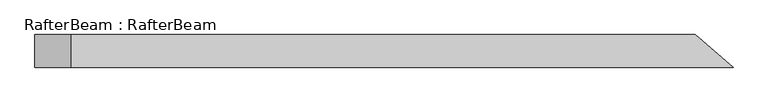
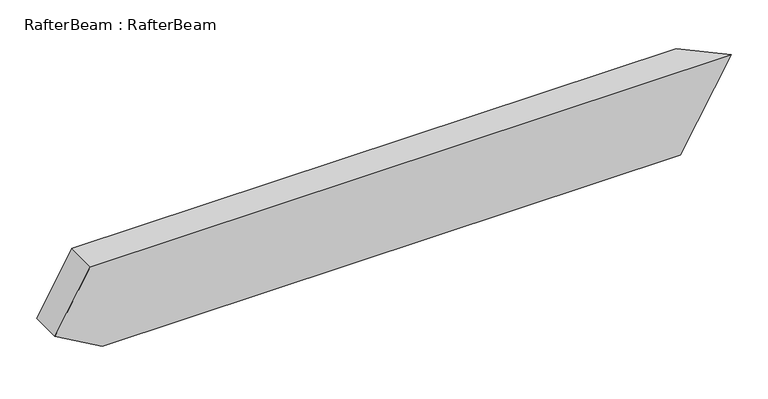
"""IFC4 building model written with IfcOpenShell, lengths in millimetres: beam geometry, RafterBeam : RafterBeam."""

from ifc_helpers import new_model, si_unit, origin, place, context, project, spatial, faceted_brep, source, transform, mapped, element, save


def rafterbeam_rafterbeam_17d38522(model_context):
    return source(origin(), model_context, "Body", "Brep", [
        faceted_brep([(500.7079657, -25.0, 70.0), (442.439104, 25.0, 70.0), (-512.3983639, 25.0, 70.0), (-512.3983639, -25.0, 70.0), (361.6100664, 25.0, -70.0), (419.878928, -25.0, -70.0), (-493.2274016, -25.0, -70.0), (-493.2274016, 25.0, -70.0), (-568.2274016, 25.0, -26.6987298), (-568.2274016, -25.0, -26.6987298)], [[[0, 1, 2, 3]], [[4, 5, 6, 7]], [[1, 4, 7, 8, 2]], [[5, 0, 3, 9, 6]], [[0, 5, 4, 1]], [[3, 2, 8, 9]], [[7, 6, 9, 8]]]),
    ])


if __name__ == "__main__":
    model = new_model("IFC4")
    model_context = context("Model", 3, world=origin())
    ifc_project = project(units=[si_unit("LENGTHUNIT", "METRE", prefix="MILLI")], contexts=[model_context])
    site = spatial("IfcSite", under=ifc_project)
    building = spatial("IfcBuilding", under=site)
    placement = place(None, origin())
    rafterbeam_rafterbeam_shape = rafterbeam_rafterbeam_17d38522(model_context)
    element("IfcBeam", 1, ObjectType="RafterBeam : RafterBeam", at=placement, inside=building, context=model_context, shape_type="MappedRepresentation", body=[
        mapped(rafterbeam_rafterbeam_shape, transform((0.0, 0.0, 0.0), x_axis=(1.0, 0.0, 0.0), y_axis=(0.0, 1.0, 0.0), z_axis=(0.0, 0.0, 1.0))),
    ])
    save(model, "model.ifc")
